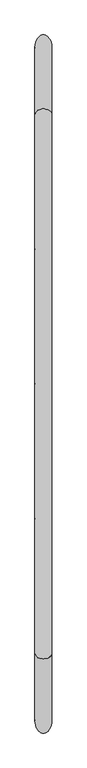
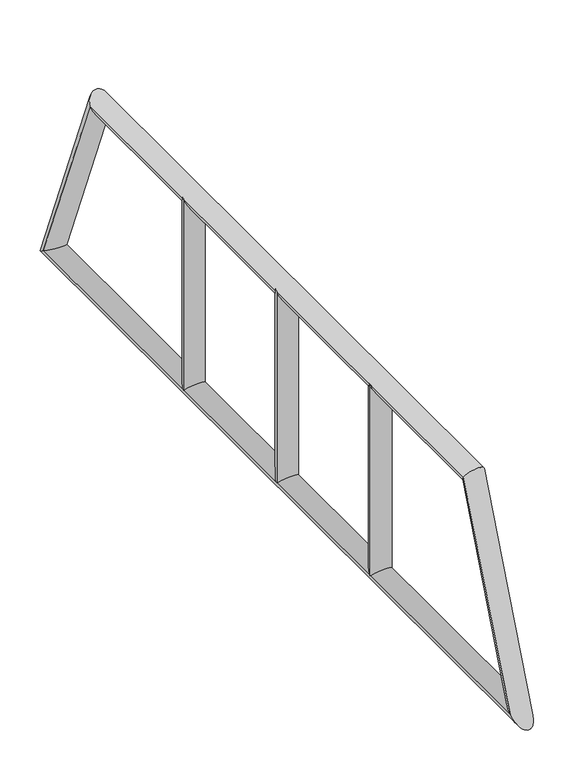
"""IFC4 building model written with IfcOpenShell, lengths in millimetres: proxy geometry."""

from ifc_helpers import new_model, si_unit, point, frame, frame_2d, origin, origin_with_axes, origin_2d, place, context, project, spatial, circle_curve, ellipse_curve, trimmed, segment, composite_curve, outline, extrude, source, transform, mapped, element, save
from ifc_brep_helpers import cylinder_surface, advanced_brep


def generic_models_a5d30795(model_context):
    return source(origin(), model_context, "Body", "SolidModel", [
        extrude(outline(composite_curve([segment(trimmed(circle_curve(frame_2d((0.0, 800.0)), 50.0), [point((-50.0, 800.0))], [point((50.0, 800.0))], False, "CARTESIAN"), True, "CONTINUOUS"), segment(trimmed(circle_curve(frame_2d((0.0, 800.0)), 50.0), [point((50.0, 800.0))], [point((-50.0, 800.0))], False, "CARTESIAN"), True, "CONTINUOUS")], self_intersect=False)), origin_with_axes(), (0.0, 0.0, 1.0), 1000.0),
        extrude(outline(composite_curve([segment(trimmed(circle_curve(origin_2d(), 50.0), [point((-50.0, 0.0))], [point((50.0, 0.0))], False, "CARTESIAN"), True, "CONTINUOUS"), segment(trimmed(circle_curve(origin_2d(), 50.0), [point((50.0, 0.0))], [point((-50.0, 0.0))], False, "CARTESIAN"), True, "CONTINUOUS")], self_intersect=False)), origin_with_axes(), (0.0, 0.0, 1.0), 1000.0),
        extrude(outline(composite_curve([segment(trimmed(circle_curve(frame_2d((0.0, -800.0)), 50.0), [point((-50.0, -800.0))], [point((50.0, -800.0))], False, "CARTESIAN"), True, "CONTINUOUS"), segment(trimmed(circle_curve(frame_2d((0.0, -800.0)), 50.0), [point((50.0, -800.0))], [point((-50.0, -800.0))], False, "CARTESIAN"), True, "CONTINUOUS")], self_intersect=False)), origin_with_axes(), (0.0, 0.0, 1.0), 1000.0),
        advanced_brep(
        [(-50.0, 2000.0, 0.0), (50.0, 2000.0, 0.0), (50.0, -2000.0, 0.0), (-50.0, -2000.0, 0.0), (50.0, -1600.0, 1000.0), (-50.0, -1600.0, 1000.0), (50.0, 1600.0, 1000.0), (-50.0, 1600.0, 1000.0)],
        [
            (0, 1, ellipse_curve(frame((0.0, 2000.0, 0.0), z_axis=(0.0, -0.5606288093051838, -0.8280672304692729), x_axis=(0.0, 0.8280672304692728, -0.5606288093051838)), 89.1855701, 50.0)),
            (1, 2),
            (2, 3, ellipse_curve(frame((0.0, -2000.0, 0.0), z_axis=(0.0, 0.5606288093051838, -0.8280672304692729), x_axis=(0.0, 0.8280672304692728, 0.5606288093051838)), 89.1855701, 50.0)),
            (3, 0),
            (1, 0, ellipse_curve(frame((0.0, 2000.0, 0.0), z_axis=(0.0, -0.5606288093051838, -0.8280672304692729), x_axis=(0.0, 0.8280672304692728, -0.5606288093051838)), 89.1855701, 50.0)),
            (3, 2, ellipse_curve(frame((0.0, -2000.0, 0.0), z_axis=(0.0, 0.5606288093051838, -0.8280672304692729), x_axis=(0.0, 0.8280672304692728, 0.5606288093051838)), 89.1855701, 50.0)),
            (2, 4),
            (4, 5, ellipse_curve(frame((0.0, -1600.0, 1000.0), z_axis=(0.0, -0.8280672304692728, -0.5606288093051838), x_axis=(0.0, 0.5606288093051838, -0.8280672304692729)), 60.3815707, 50.0)),
            (5, 3),
            (5, 4, ellipse_curve(frame((0.0, -1600.0, 1000.0), z_axis=(0.0, -0.8280672304692728, -0.5606288093051838), x_axis=(0.0, 0.5606288093051838, -0.8280672304692729)), 60.3815707, 50.0)),
            (4, 6),
            (6, 7, ellipse_curve(frame((0.0, 1600.0, 1000.0), z_axis=(0.0, -0.8280672304692728, 0.5606288093051838), x_axis=(0.0, -0.560628809305184, -0.8280672304692728)), 60.3815707, 50.0)),
            (7, 5),
            (7, 6, ellipse_curve(frame((0.0, 1600.0, 1000.0), z_axis=(0.0, -0.8280672304692728, 0.5606288093051838), x_axis=(0.0, -0.560628809305184, -0.8280672304692728)), 60.3815707, 50.0)),
            (6, 1),
            (0, 7),
        ],
        [
            cylinder_surface(frame((0.0, 2000.0, 0.0), z_axis=(0.0, 1.0, 0.0), x_axis=(-1.0, 0.0, 0.0)), 50.0),
            cylinder_surface(frame((0.0, -2000.0, 0.0), z_axis=(0.0, -0.3713906763541037, -0.9284766908852593), x_axis=(-1.0, 0.0, 0.0)), 50.0),
            cylinder_surface(frame((0.0, -1600.0, 1000.0), z_axis=(0.0, -1.0, 0.0), x_axis=(-1.0, 0.0, 0.0)), 50.0),
            cylinder_surface(frame((0.0, 1600.0, 1000.0), z_axis=(0.0, -0.3713906763541037, 0.9284766908852593), x_axis=(-1.0, 0.0, 0.0)), 50.0),
        ],
        [
            (0, [[1, 2, 3, 4]]),
            (0, [[5, -4, 6, -2]]),
            (1, [[-3, 7, 8, 9]]),
            (1, [[-6, -9, 10, -7]]),
            (2, [[-8, 11, 12, 13]]),
            (2, [[-10, -13, 14, -11]]),
            (3, [[-12, 15, -1, 16]]),
            (3, [[-14, -16, -5, -15]]),
        ],
    ),
    ])


if __name__ == "__main__":
    model = new_model("IFC4")
    model_context = context("Model", 3, world=origin())
    ifc_project = project(units=[si_unit("LENGTHUNIT", "METRE", prefix="MILLI")], contexts=[model_context])
    site = spatial("IfcSite", under=ifc_project)
    building = spatial("IfcBuilding", under=site)
    placement = place(None, origin())
    generic_models_shape = generic_models_a5d30795(model_context)
    element("IfcBuildingElementProxy", 1, Name="Generic Models", at=placement, inside=building, context=model_context, shape_type="MappedRepresentation", body=[
        mapped(generic_models_shape, transform((0.0, 0.0, 0.0), x_axis=(1.0, 0.0, 0.0), y_axis=(0.0, 1.0, 0.0), z_axis=(0.0, 0.0, 1.0))),
    ])
    save(model, "model.ifc")
